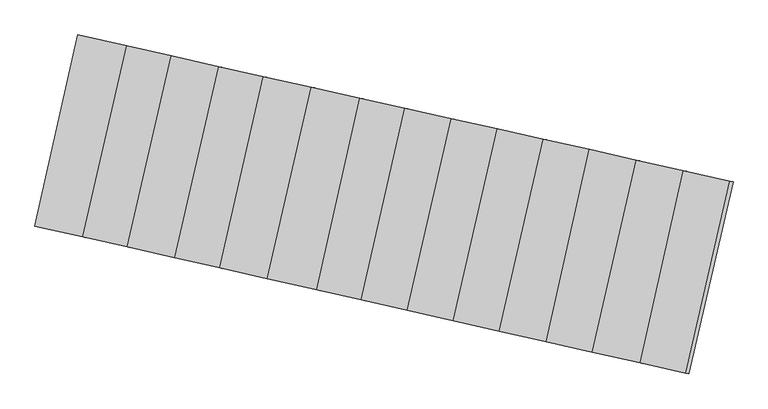
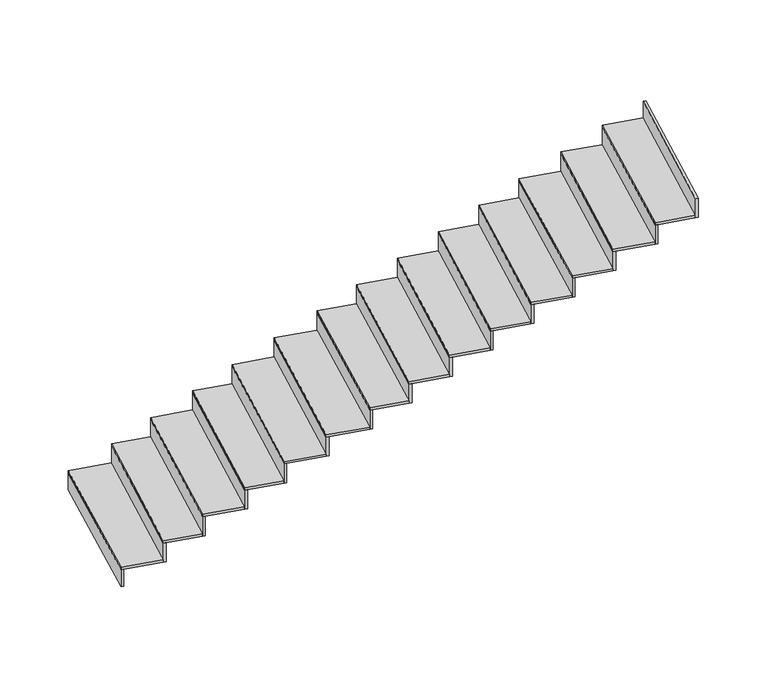
"""IFC4 building model written with IfcOpenShell, lengths in millimetres: stair flight geometry."""

from ifc_helpers import new_model, si_unit, frame, origin, place, context, project, spatial, polyline, outline, extrude, source, transform, mapped, element, save


def stair_flight_d861de7e(model_context):
    return source(origin(), model_context, "Body", "SweptSolid", [
        extrude(outline(polyline([(-79702.429171, 3304.6802287), (-79721.9373796, 3309.0883097), (-79458.9589387, 4483.0619493), (-79439.4426024, 4478.6901512), (-79702.429171, 3304.6802287)])), frame((0.0, 0.0, -2406.5), z_axis=(0.0, 0.0, 1.0), x_axis=(1.0, 0.0, 0.0)), (0.0, 0.0, 1.0), 139.5197413),
        extrude(outline(polyline([(-79158.5100493, 4415.7592622), (-79427.9497657, 3242.6587755), (-79721.9373796, 3309.0883097), (-79458.9589387, 4483.0619493), (-79158.5100493, 4415.7592622)])), frame((0.0, 0.0, -2266.9802587), z_axis=(0.0, 0.0, 1.0), x_axis=(1.0, 0.0, 0.0)), (0.0, 0.0, 1.0), 20.0),
        extrude(outline(polyline([(-79408.4414687, 3238.2506746), (-79427.9497657, 3242.6587755), (-79158.5100493, 4415.7592622), (-79138.9934289, 4411.3874004), (-79408.4414687, 3238.2506746)])), frame((0.0, 0.0, -2266.9802587), z_axis=(0.0, 0.0, 1.0), x_axis=(1.0, 0.0, 0.0)), (0.0, 0.0, 1.0), 159.5197413),
        extrude(outline(polyline([(-78885.2773624, 4354.5531979), (-79154.8336076, 3180.9453621), (-79427.9497657, 3242.6587755), (-79158.5100493, 4415.7592622), (-78885.2773624, 4354.5531979)])), frame((0.0, 0.0, -2107.4605175), z_axis=(0.0, 0.0, 1.0), x_axis=(1.0, 0.0, 0.0)), (0.0, 0.0, 1.0), 20.0),
        extrude(outline(polyline([(-79135.3253106, 3176.5372611), (-79154.8336076, 3180.9453621), (-78885.2773624, 4354.5531979), (-78865.7607419, 4350.1813362), (-79135.3253106, 3176.5372611)])), frame((0.0, 0.0, -2107.4605175), z_axis=(0.0, 0.0, 1.0), x_axis=(1.0, 0.0, 0.0)), (0.0, 0.0, 1.0), 159.5197413),
        extrude(outline(polyline([(-78592.5280549, 4288.9752719), (-78862.2091524, 3114.8238477), (-79154.8336076, 3180.9453621), (-78885.2773624, 4354.5531979), (-78592.5280549, 4288.9752719)])), frame((0.0, 0.0, -1947.9407762), z_axis=(0.0, 0.0, 1.0), x_axis=(1.0, 0.0, 0.0)), (0.0, 0.0, 1.0), 20.0),
        extrude(outline(polyline([(-78842.7008554, 3110.4157467), (-78862.2091524, 3114.8238477), (-78592.5280549, 4288.9752719), (-78573.0114344, 4284.6034102), (-78842.7008554, 3110.4157467)])), frame((0.0, 0.0, -1947.9407762), z_axis=(0.0, 0.0, 1.0), x_axis=(1.0, 0.0, 0.0)), (0.0, 0.0, 1.0), 159.5197413),
        extrude(outline(polyline([(-78318.2020432, 4227.5242951), (-78588.0001358, 3052.8634916), (-78862.2091524, 3114.8238477), (-78592.5280549, 4288.9752719), (-78318.2020432, 4227.5242951)])), frame((0.0, 0.0, -1788.421035), z_axis=(0.0, 0.0, 1.0), x_axis=(1.0, 0.0, 0.0)), (0.0, 0.0, 1.0), 20.0),
        extrude(outline(polyline([(-78568.4918388, 3048.4553906), (-78588.0001358, 3052.8634916), (-78318.2020432, 4227.5242951), (-78298.6854227, 4223.1524334), (-78568.4918388, 3048.4553906)])), frame((0.0, 0.0, -1788.421035), z_axis=(0.0, 0.0, 1.0), x_axis=(1.0, 0.0, 0.0)), (0.0, 0.0, 1.0), 159.5197413),
        extrude(outline(polyline([(-78024.3209839, 4161.6928487), (-78294.2444115, 2986.4863553), (-78588.0001358, 3052.8634916), (-78318.2020432, 4227.5242951), (-78024.3209839, 4161.6928487)])), frame((0.0, 0.0, -1628.9012937), z_axis=(0.0, 0.0, 1.0), x_axis=(1.0, 0.0, 0.0)), (0.0, 0.0, 1.0), 20.0),
        extrude(outline(polyline([(-78274.7361145, 2982.0782543), (-78294.2444115, 2986.4863553), (-78024.3209839, 4161.6928487), (-78004.8043634, 4157.3209869), (-78274.7361145, 2982.0782543)])), frame((0.0, 0.0, -1628.9012937), z_axis=(0.0, 0.0, 1.0), x_axis=(1.0, 0.0, 0.0)), (0.0, 0.0, 1.0), 159.5197413),
        extrude(outline(polyline([(-77725.9051757, 4094.8455862), (-77989.6053518, 2917.650017), (-78294.2444115, 2986.4863553), (-78024.3209839, 4161.6928487), (-77725.9051757, 4094.8455862)])), frame((0.0, 0.0, -1469.3815524), z_axis=(0.0, 0.0, 1.0), x_axis=(1.0, 0.0, 0.0)), (0.0, 0.0, 1.0), 20.0),
        extrude(outline(polyline([(-77970.0971431, 2913.2419361), (-77989.6053518, 2917.650017), (-77725.9051757, 4094.8455862), (-77706.3888394, 4090.4737881), (-77970.0971431, 2913.2419361)])), frame((0.0, 0.0, -1469.3815524), z_axis=(0.0, 0.0, 1.0), x_axis=(1.0, 0.0, 0.0)), (0.0, 0.0, 1.0), 159.5197413),
        extrude(outline(polyline([(-77450.7615396, 4033.2114558), (-77716.7648623, 2855.9988938), (-77989.6053518, 2917.650017), (-77725.9051757, 4094.8455862), (-77450.7615396, 4033.2114558)])), frame((0.0, 0.0, -1309.8618112), z_axis=(0.0, 0.0, 1.0), x_axis=(1.0, 0.0, 0.0)), (0.0, 0.0, 1.0), 20.0),
        extrude(outline(polyline([(-77697.2566873, 2851.5908204), (-77716.7648623, 2855.9988938), (-77450.7615396, 4033.2114558), (-77431.2451696, 4028.8396501), (-77697.2566873, 2851.5908204)])), frame((0.0, 0.0, -1309.8618112), z_axis=(0.0, 0.0, 1.0), x_axis=(1.0, 0.0, 0.0)), (0.0, 0.0, 1.0), 159.5197413),
        extrude(outline(polyline([(-77165.589682, 3969.3309324), (-77435.879343, 2792.5299131), (-77716.7648623, 2855.9988938), (-77450.7615396, 4033.2114558), (-77165.589682, 3969.3309324)])), frame((0.0, 0.0, -1150.3420699), z_axis=(0.0, 0.0, 1.0), x_axis=(1.0, 0.0, 0.0)), (0.0, 0.0, 1.0), 20.0),
        extrude(outline(polyline([(-77416.371046, 2788.1218121), (-77435.879343, 2792.5299131), (-77165.589682, 3969.3309324), (-77146.0730615, 3964.9590706), (-77416.371046, 2788.1218121)])), frame((0.0, 0.0, -1150.3420699), z_axis=(0.0, 0.0, 1.0), x_axis=(1.0, 0.0, 0.0)), (0.0, 0.0, 1.0), 159.5197413),
        extrude(outline(polyline([(-76881.1442966, 3905.613144), (-77151.5552685, 2728.2839553), (-77435.879343, 2792.5299131), (-77165.589682, 3969.3309324), (-76881.1442966, 3905.613144)])), frame((0.0, 0.0, -990.8223286), z_axis=(0.0, 0.0, 1.0), x_axis=(1.0, 0.0, 0.0)), (0.0, 0.0, 1.0), 20.0),
        extrude(outline(polyline([(-77132.0469715, 2723.8758543), (-77151.5552685, 2728.2839553), (-76881.1442966, 3905.613144), (-76861.6276761, 3901.2412822), (-77132.0469715, 2723.8758543)])), frame((0.0, 0.0, -990.8223286), z_axis=(0.0, 0.0, 1.0), x_axis=(1.0, 0.0, 0.0)), (0.0, 0.0, 1.0), 159.5197413),
        extrude(outline(polyline([(-76599.0583431, 3842.423885), (-76869.5896195, 2664.5709081), (-77151.5552685, 2728.2839553), (-76881.1442966, 3905.613144), (-76599.0583431, 3842.423885)])), frame((0.0, 0.0, -831.3025874), z_axis=(0.0, 0.0, 1.0), x_axis=(1.0, 0.0, 0.0)), (0.0, 0.0, 1.0), 20.0),
        extrude(outline(polyline([(-76850.0813225, 2660.1628072), (-76869.5896195, 2664.5709081), (-76599.0583431, 3842.423885), (-76579.5417226, 3838.0520233), (-76850.0813225, 2660.1628072)])), frame((0.0, 0.0, -831.3025874), z_axis=(0.0, 0.0, 1.0), x_axis=(1.0, 0.0, 0.0)), (0.0, 0.0, 1.0), 159.5197413),
        extrude(outline(polyline([(-76318.1115868, 3779.4898144), (-76582.3980425, 2599.6770086), (-76869.5896195, 2664.5709081), (-76599.0583431, 3842.423885), (-76318.1115868, 3779.4898144)])), frame((0.0, 0.0, -671.7828461), z_axis=(0.0, 0.0, 1.0), x_axis=(1.0, 0.0, 0.0)), (0.0, 0.0, 1.0), 20.0),
        extrude(outline(polyline([(-76562.8898339, 2595.2689276), (-76582.3980425, 2599.6770086), (-76318.1115868, 3779.4898144), (-76298.5952505, 3775.1180163), (-76562.8898339, 2595.2689276)])), frame((0.0, 0.0, -671.7828461), z_axis=(0.0, 0.0, 1.0), x_axis=(1.0, 0.0, 0.0)), (0.0, 0.0, 1.0), 159.5197413),
        extrude(outline(polyline([(-76027.7111941, 3714.438062), (-76298.4861398, 2535.5241853), (-76582.3980425, 2599.6770086), (-76318.1115868, 3779.4898144), (-76027.7111941, 3714.438062)])), frame((0.0, 0.0, -512.2631049), z_axis=(0.0, 0.0, 1.0), x_axis=(1.0, 0.0, 0.0)), (0.0, 0.0, 1.0), 20.0),
        extrude(outline(polyline([(-76278.9778428, 2531.1160843), (-76298.4861398, 2535.5241853), (-76027.7111941, 3714.438062), (-76008.1945736, 3710.0662003), (-76278.9778428, 2531.1160843)])), frame((0.0, 0.0, -512.2631049), z_axis=(0.0, 0.0, 1.0), x_axis=(1.0, 0.0, 0.0)), (0.0, 0.0, 1.0), 159.5197413),
        extrude(outline(polyline([(-75739.9058535, 3649.9676197), (-76004.4331047, 2469.0798685), (-76298.4861398, 2535.5241853), (-76027.7111941, 3714.438062), (-75739.9058535, 3649.9676197)])), frame((0.0, 0.0, -352.7433636), z_axis=(0.0, 0.0, 1.0), x_axis=(1.0, 0.0, 0.0)), (0.0, 0.0, 1.0), 20.0),
        extrude(outline(polyline([(-75984.924896, 2464.6717875), (-76004.4331047, 2469.0798685), (-75739.9058535, 3649.9676197), (-75720.3895173, 3645.5958217), (-75984.924896, 2464.6717875)])), frame((0.0, 0.0, -352.7433636), z_axis=(0.0, 0.0, 1.0), x_axis=(1.0, 0.0, 0.0)), (0.0, 0.0, 1.0), 159.5197413),
        extrude(outline(polyline([(-75705.3387083, 2401.4964042), (-75724.8470054, 2405.9045051), (-75453.8273085, 3585.8839919), (-75434.310688, 3581.5121302), (-75705.3387083, 2401.4964042)])), frame((0.0, 0.0, -193.2236223), z_axis=(0.0, 0.0, 1.0), x_axis=(1.0, 0.0, 0.0)), (0.0, 0.0, 1.0), 159.5197413),
        extrude(outline(polyline([(-75453.8273085, 3585.8839919), (-75724.8470054, 2405.9045051), (-76004.4331047, 2469.0798685), (-75739.9058535, 3649.9676197), (-75453.8273085, 3585.8839919)])), frame((0.0, 0.0, -193.2236223), z_axis=(0.0, 0.0, 1.0), x_axis=(1.0, 0.0, 0.0)), (0.0, 0.0, 1.0), 20.0),
    ])


if __name__ == "__main__":
    model = new_model("IFC4")
    model_context = context("Model", 3, world=origin())
    ifc_project = project(units=[si_unit("LENGTHUNIT", "METRE", prefix="MILLI")], contexts=[model_context])
    site = spatial("IfcSite", under=ifc_project)
    building = spatial("IfcBuilding", under=site)
    placement = place(None, origin())
    stair_flight_shape = stair_flight_d861de7e(model_context)
    element("IfcStairFlight", 1, at=placement, inside=building, context=model_context, shape_type="MappedRepresentation", body=[
        mapped(stair_flight_shape, transform((0.0, 0.0, 0.0), x_axis=(1.0, 0.0, 0.0), y_axis=(0.0, 1.0, 0.0), z_axis=(0.0, 0.0, 1.0))),
    ])
    save(model, "model.ifc")
